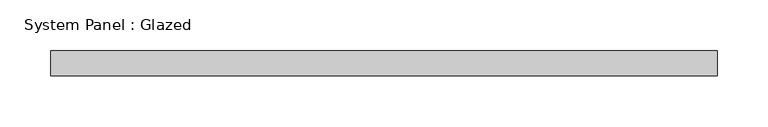
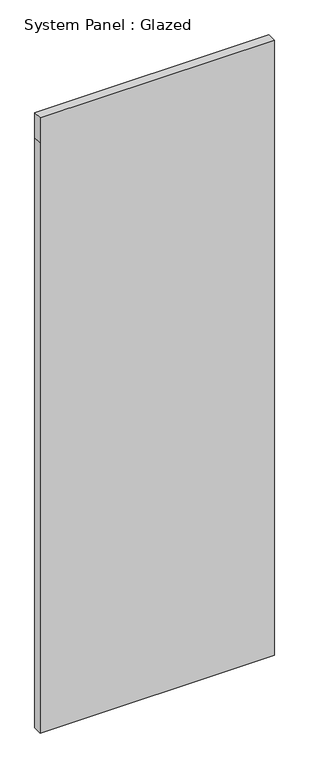
"""IFC4 building model written with IfcOpenShell, lengths in millimetres: plate geometry, System Panel : Glazed."""

import ifcopenshell
import ifcopenshell.guid

model = None  # the IFC model being written
_history = None  # IfcOwnerHistory: only IFC2X3 demands one
_inside = {}  # id of a spatial element -> (the spatial element, [elements in it])
_under = {}  # id of a project, library or spatial element -> (it, [spatial elements below it])
_declared = {}  # id of a project -> (the project, [libraries it declares])
_typed = {}  # id of a type object -> (the type object, [elements of that type])
_made_of = {}  # id of a material, layer set ... -> (it, [elements and type objects made of it])


def new_model(schema):
    """Start an empty IFC model of exactly this schema.

    Asked for "IFC4X3", IfcOpenShell would pick the latest addendum, in which some entities
    have other attributes; the version numbers below select the first issue.
    IFC2X3 requires an IfcOwnerHistory on every rooted entity: one is made here for all.
    """
    global model, _history
    if schema == "IFC4X3":
        model = ifcopenshell.file(schema_version=(4, 3, 0, 0))
    else:
        model = ifcopenshell.file(schema=schema)
    _inside.clear()
    _under.clear()
    _declared.clear()
    _typed.clear()
    _made_of.clear()
    _history = None
    if model.schema == "IFC2X3":
        org = make("IfcOrganization", Name="unknown")
        user = make(
            "IfcPersonAndOrganization",
            ThePerson=make("IfcPerson", FamilyName="unknown"),
            TheOrganization=org,
        )
        app = make(
            "IfcApplication",
            ApplicationDeveloper=org,
            Version="unknown",
            ApplicationFullName="unknown",
            ApplicationIdentifier="unknown",
        )
        _history = make(
            "IfcOwnerHistory",
            OwningUser=user,
            OwningApplication=app,
            ChangeAction="ADDED",
            CreationDate=0,
        )
    return model


def make(cls, **values):
    """One entity of the class cls with the attributes given. An attribute that is None is left unset."""
    return model.create_entity(
        cls, **{name: value for name, value in values.items() if value is not None}
    )


def rooted(cls, **values):
    """An entity with a GlobalId (a new one), such as an element, a storey or a relation."""
    return make(cls, GlobalId=ifcopenshell.guid.new(), OwnerHistory=_history, **values)


def si_unit(unit_type, name, prefix=None):
    """IfcSIUnit, for example si_unit("LENGTHUNIT", "METRE", prefix="MILLI")."""
    return make("IfcSIUnit", UnitType=unit_type, Prefix=prefix, Name=name)


def assignment(units):
    """IfcUnitAssignment: the units of a project."""
    return None if units is None else make("IfcUnitAssignment", Units=units)


def point(xyz):
    """IfcCartesianPoint."""
    return None if xyz is None else make("IfcCartesianPoint", Coordinates=xyz)


def direction(xyz):
    """IfcDirection."""
    return None if xyz is None else make("IfcDirection", DirectionRatios=xyz)


def frame(location, z_axis=None, x_axis=None):
    """IfcAxis2Placement3D, a coordinate frame: its origin and axes. An axis left out is left unset."""
    return make(
        "IfcAxis2Placement3D",
        Location=point(location),
        Axis=direction(z_axis),
        RefDirection=direction(x_axis),
    )


def origin():
    """The frame at (0, 0, 0) with its axes left unset."""
    return frame((0.0, 0.0, 0.0))


def place(relative_to, where):
    """IfcLocalPlacement: puts the frame where relative to a parent placement (None: the world)."""
    return make(
        "IfcLocalPlacement", PlacementRelTo=relative_to, RelativePlacement=where
    )


def context(
    kind, dimensions, precision=None, world=None, true_north=None, identifier=None
):
    """IfcGeometricRepresentationContext, for example the 3D "Model" context."""
    return make(
        "IfcGeometricRepresentationContext",
        ContextIdentifier=identifier,
        ContextType=kind,
        CoordinateSpaceDimension=dimensions,
        Precision=precision,
        WorldCoordinateSystem=world,
        TrueNorth=true_north,
    )


def project(units=None, contexts=None):
    """IfcProject with its units and contexts."""
    return rooted(
        "IfcProject",
        Name="project",
        RepresentationContexts=contexts,
        UnitsInContext=assignment(units),
    )


def spatial(cls, under=None, at=None, **own):
    """A site, building, storey or space (cls), placed at a placement, below another one or the project."""
    s = rooted(cls, ObjectPlacement=at, **own)
    if under is not None:
        _under.setdefault(under.id(), (under, []))[1].append(s)
    return s


def polyline(points):
    """IfcPolyline through the points."""
    return make("IfcPolyline", Points=[point(p) for p in points])


def outline(outer, holes=None, kind="AREA"):
    """IfcArbitraryClosedProfileDef: a profile drawn as a closed curve; with holes, ...WithVoids."""
    if holes is None:
        return make("IfcArbitraryClosedProfileDef", ProfileType=kind, OuterCurve=outer)
    return make(
        "IfcArbitraryProfileDefWithVoids",
        ProfileType=kind,
        OuterCurve=outer,
        InnerCurves=holes,
    )


def extrude(swept, where, along, depth):
    """IfcExtrudedAreaSolid: the profile swept, set in the frame where, extruded along a direction by depth."""
    return make(
        "IfcExtrudedAreaSolid",
        SweptArea=swept,
        Position=where,
        ExtrudedDirection=direction(along),
        Depth=depth,
    )


def shape(context_of_items, identifier, shape_type, items):
    """IfcShapeRepresentation: the items that make up one representation, for example the "Body"."""
    return make(
        "IfcShapeRepresentation",
        ContextOfItems=context_of_items,
        RepresentationIdentifier=identifier,
        RepresentationType=shape_type,
        Items=items,
    )


def source(mapping_origin, context_of_items, identifier, shape_type, items):
    """IfcRepresentationMap: a shape defined once, which mapped items show again and again."""
    return make(
        "IfcRepresentationMap",
        MappingOrigin=mapping_origin,
        MappedRepresentation=shape(context_of_items, identifier, shape_type, items),
    )


def transform(
    local_origin,
    x_axis=None,
    y_axis=None,
    z_axis=None,
    scale=None,
    scale2=None,
    scale3=None,
    uniform=True,
):
    """IfcCartesianTransformationOperator3D, or its non-uniform kind. x_axis, y_axis, z_axis: its Axis1, 2, 3."""
    if uniform:
        return make(
            "IfcCartesianTransformationOperator3D",
            Axis1=direction(x_axis),
            Axis2=direction(y_axis),
            LocalOrigin=point(local_origin),
            Scale=scale,
            Axis3=direction(z_axis),
        )
    return make(
        "IfcCartesianTransformationOperator3DnonUniform",
        Axis1=direction(x_axis),
        Axis2=direction(y_axis),
        LocalOrigin=point(local_origin),
        Scale=scale,
        Axis3=direction(z_axis),
        Scale2=scale2,
        Scale3=scale3,
    )


def mapped(mapping_source, mapping_target):
    """IfcMappedItem: shows the shape of a source again, moved by a transform."""
    return make(
        "IfcMappedItem", MappingSource=mapping_source, MappingTarget=mapping_target
    )


def made_of(thing, what):
    """Note that an element or type object is made of a material, layer set ...; save() writes the relation."""
    if what is not None:
        _made_of.setdefault(what.id(), (what, []))[1].append(thing)
    return thing


def element(
    cls,
    number,
    at=None,
    inside=None,
    cuts=None,
    type_object=None,
    material=None,
    context=None,
    identifier="Body",
    shape_type=None,
    held_by="IfcProductDefinitionShape",
    body=None,
    shapes=None,
    **own,
):
    """One element of the class cls, such as IfcWall. Its Tag is "e" and its number.

    at: its placement. inside: the storey or other place that contains it. cuts: it is an
    opening in that element (IfcRelVoidsElement). A single representation is given by context,
    identifier, shape_type and body (its items); several are given by shapes. held_by: the class
    of the entity that holds the representations. save() writes the other relations.
    """
    e = rooted(cls, Tag="e%d" % number, ObjectPlacement=at, **own)
    if body is not None:
        shapes = [shape(context, identifier, shape_type, body)]
    if shapes is not None:
        e.Representation = make(held_by, Representations=shapes)
    if inside is not None:
        _inside.setdefault(inside.id(), (inside, []))[1].append(e)
    if cuts is not None:
        rooted(
            "IfcRelVoidsElement", RelatingBuildingElement=cuts, RelatedOpeningElement=e
        )
    if type_object is not None:
        _typed.setdefault(type_object.id(), (type_object, []))[1].append(e)
    return made_of(e, material)


def aggregate(whole, parts):
    """IfcRelAggregates: a whole, such as a stair, and the parts it consists of."""
    return rooted("IfcRelAggregates", RelatingObject=whole, RelatedObjects=parts)


def save(model, path):
    """Write the relations noted so far, then the file.

    IfcRelAggregates (storeys below a building ...), IfcRelContainedInSpatialStructure (elements
    in a storey), IfcRelDefinesByType, IfcRelAssociatesMaterial and IfcRelDeclares: one each for
    every whole, place, type object, material and project.
    """
    for whole, parts in _under.values():
        aggregate(whole, parts)
    for where, things in _inside.values():
        rooted(
            "IfcRelContainedInSpatialStructure",
            RelatedElements=things,
            RelatingStructure=where,
        )
    for kind, things in _typed.values():
        rooted("IfcRelDefinesByType", RelatedObjects=things, RelatingType=kind)
    for what, things in _made_of.values():
        rooted("IfcRelAssociatesMaterial", RelatedObjects=things, RelatingMaterial=what)
    for by, libraries in _declared.values():
        rooted("IfcRelDeclares", RelatingContext=by, RelatedDefinitions=libraries)
    model.write(path)


def system_panel_glazed_8d03e931(model_context):
    return source(origin(), model_context, "Body", "SweptSolid", [
        extrude(outline(polyline([(0.0, -329.5), (0.0, 329.5), (1753.3333333, 329.5), (1828.3333333, 329.5), (1828.3333333, -329.5), (1753.3333333, -329.5), (0.0, -329.5)])), frame((0.0, -49.5, 0.0), z_axis=(0.0, 1.0, 0.0), x_axis=(0.0, 0.0, 1.0)), (0.0, 0.0, 1.0), 25.0),
    ])


if __name__ == "__main__":
    model = new_model("IFC4")
    model_context = context("Model", 3, world=origin())
    ifc_project = project(units=[si_unit("LENGTHUNIT", "METRE", prefix="MILLI")], contexts=[model_context])
    site = spatial("IfcSite", under=ifc_project)
    building = spatial("IfcBuilding", under=site)
    placement = place(None, origin())
    system_panel_glazed_shape = system_panel_glazed_8d03e931(model_context)
    element("IfcPlate", 1, ObjectType="System Panel : Glazed", at=placement, inside=building, context=model_context, shape_type="MappedRepresentation", body=[
        mapped(system_panel_glazed_shape, transform((0.0, 0.0, 0.0), x_axis=(1.0, 0.0, 0.0), y_axis=(0.0, 1.0, 0.0), z_axis=(0.0, 0.0, 1.0))),
    ])
    save(model, "model.ifc")
